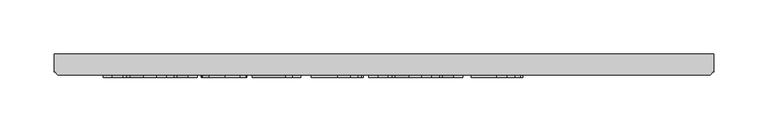
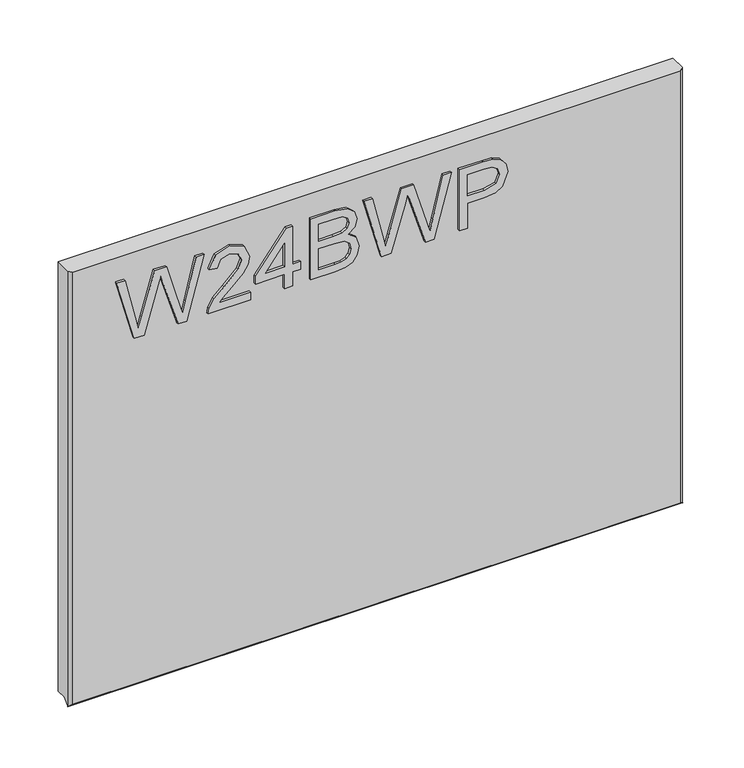
"""IFC4 building model written with IfcOpenShell, lengths in millimetres: furniture geometry."""

from ifc_helpers import new_model, si_unit, frame, origin, place, context, project, spatial, polyline, outline, extrude, faceted_brep, source, transform, mapped, element, save


def furniture_20260f77(model_context):
    return source(origin(), model_context, "Body", "SolidModel", [
        extrude(outline(polyline([(873.55172, -223.2197895), (873.55172, -213.5952607), (921.3628904, -199.6568251), (929.6325097, -197.2584797), (922.7645208, -195.1248868), (873.55172, -179.8315417), (873.55172, -171.3127436), (937.3414769, -153.9013793), (937.3414769, -162.1242776), (895.0433862, -172.3094586), (882.4754336, -175.3307508), (905.8670876, -182.1675924), (937.3414769, -191.3560583), (937.3414769, -203.2076221), (893.9220818, -215.853443), (882.4754336, -219.1862087), (895.4171543, -222.3009429), (937.3414769, -232.3926818), (937.3414769, -240.6155801), (873.55172, -223.2197895)])), frame((0.0, -21.9273437, 0.0), z_axis=(0.0, 1.0, 0.0), x_axis=(0.0, 0.0, 1.0)), (0.0, 0.0, 1.0), 2.38125),
        extrude(outline(polyline([(881.5254396, -108.0524915), (881.5254396, -139.3711441), (885.5823809, -135.7736261), (893.252414, -126.6007338), (904.1773443, -115.177446), (911.9953272, -110.4664105), (919.5563445, -109.0492064), (932.2333128, -114.3053204), (937.3414769, -128.57859), (932.747244, -142.8051386), (919.4006078, -148.9178045), (918.4038929, -140.9440849), (926.4554808, -137.5879588), (929.3677573, -128.7499004), (926.3853993, -120.2700365), (919.0735607, -117.022926), (910.0408315, -120.4647074), (896.75649, -134.2318326), (887.5135162, -144.2145558), (879.0492259, -149.0579676), (873.55172, -149.9145195), (873.55172, -108.0524915), (881.5254396, -108.0524915)])), frame((0.0, -21.9273438, 0.0), z_axis=(0.0, 1.0, 0.0), x_axis=(0.0, 0.0, 1.0)), (0.0, 0.0, 1.0), 2.38125),
        extrude(outline(polyline([(873.55172, -74.1641831), (873.55172, -66.1904635), (888.5024443, -66.1904635), (888.5024443, -58.2167439), (896.4761639, -58.2167439), (896.4761639, -66.1904635), (936.344762, -66.1904635), (936.344762, -72.1707532), (896.4761639, -103.0689167), (888.5024443, -103.0689167), (888.5024443, -74.1641831), (873.55172, -74.1641831)]), holes=[polyline([(896.4761639, -74.1641831), (896.4761639, -93.2575039), (921.1137116, -74.1641831), (896.4761639, -74.1641831)])]), frame((0.0, -21.9273438, 0.0), z_axis=(0.0, 1.0, 0.0), x_axis=(0.0, 0.0, 1.0)), (0.0, 0.0, 1.0), 2.38125),
        extrude(outline(polyline([(873.55172, -48.2495943), (873.55172, -24.0948304), (874.6496638, -13.8707153), (877.8889874, -6.9326448), (883.9938665, -2.283904), (892.5671724, -0.4072766), (902.487601, -3.1560296), (908.4367433, -11.0129467), (914.0821991, -4.5420863), (921.5342007, -2.4007065), (929.6948044, -4.9470018), (935.4648496, -11.9863011), (937.3414769, -23.9079464), (937.3414769, -48.2495943), (873.55172, -48.2495943)]), holes=[polyline([(911.4268882, -40.2758747), (929.3677573, -40.2758747), (929.3677573, -26.8202229), (928.5345659, -16.5727473), (925.4587659, -11.9785143), (920.2571597, -10.3744262), (915.0633404, -12.0953168), (912.1121297, -17.2112678), (911.4268882, -25.7144922), (911.4268882, -40.2758747)]), polyline([(881.5254396, -40.2758747), (903.4531686, -40.2758747), (903.4531686, -24.7022036), (902.3863721, -14.8518566), (898.6876252, -9.907216), (892.4893041, -8.3809963), (887.1163876, -9.6813978), (883.5733774, -12.9985897), (881.836913, -18.005525), (881.5254396, -23.92352), (881.5254396, -40.2758747)])]), frame((0.0, -21.9273437, 0.0), z_axis=(0.0, 1.0, 0.0), x_axis=(0.0, 0.0, 1.0)), (0.0, 0.0, 1.0), 2.38125),
        extrude(outline(polyline([(873.55172, 21.9720888), (873.55172, 31.5966175), (921.3628904, 45.5350532), (929.6325097, 47.9333986), (922.7645208, 50.0669915), (873.55172, 65.3603365), (873.55172, 73.8791347), (937.3414769, 91.290499), (937.3414769, 83.0676006), (895.0433862, 72.8824197), (882.4754336, 69.8611275), (905.8670876, 63.0242859), (937.3414769, 53.8358199), (937.3414769, 41.9842562), (893.9220818, 29.3384352), (882.4754336, 26.0056696), (895.4171543, 22.8909354), (937.3414769, 12.7991965), (937.3414769, 4.5762981), (873.55172, 21.9720888)])), frame((0.0, -21.9273437, 0.0), z_axis=(0.0, 1.0, 0.0), x_axis=(0.0, 0.0, 1.0)), (0.0, 0.0, 1.0), 2.38125),
        extrude(outline(polyline([(873.55172, 99.2642186), (873.55172, 107.2379382), (899.4663088, 107.2379382), (899.4663088, 123.4501299), (900.875726, 134.7780289), (905.1039777, 141.9750117), (918.8866767, 147.1065363), (927.584572, 145.2065484), (933.7517457, 140.1840395), (936.7341038, 132.4361381), (937.3414769, 122.9050514), (937.3414769, 99.2642186), (873.55172, 99.2642186)]), holes=[polyline([(907.4400284, 107.2379382), (929.3677573, 107.2379382), (929.3677573, 123.7304559), (928.8226788, 131.7041756), (925.2095871, 137.0848789), (918.6063506, 139.1328167), (910.3678785, 135.659888), (907.4400284, 123.91734), (907.4400284, 107.2379382)])]), frame((0.0, -21.9273438, 0.0), z_axis=(0.0, 1.0, 0.0), x_axis=(0.0, 0.0, 1.0)), (0.0, 0.0, 1.0), 2.38125),
        faceted_brep([(323.5377049, 0.0, 962.45172), (-286.0622951, 0.0, 962.45172), (-286.0622951, -15.9900938, 962.45172), (-282.8872951, -19.5460937, 962.45172), (320.3627049, -19.5460937, 962.45172), (323.5377049, -15.9900938, 962.45172), (-286.0622951, 0.0, 512.7625), (323.5377049, 0.0, 512.7625), (323.5377049, -10.0210937, 512.7625), (-286.0622951, -10.0210937, 512.7625), (-286.0622951, -15.9392937, 506.8443), (-286.0622951, -16.3710938, 506.4125), (-286.0622951, -16.8028938, 506.8443), (-282.8872951, -19.5460937, 509.5875), (320.3627049, -19.5460937, 509.5875), (323.5377049, -15.9900937, 506.8443), (323.5377049, -16.8028938, 506.8443), (323.5377049, -16.3710938, 506.4125), (322.8119906, -16.8028938, 506.8443), (-285.3365808, -16.8028938, 506.8443)], [[[0, 1, 2, 3, 4, 5]], [[6, 7, 8, 9]], [[1, 6, 9, 10, 2]], [[10, 11, 12]], [[3, 13, 14, 4]], [[7, 0, 5, 15, 8]], [[16, 17, 15]], [[1, 0, 7, 6]], [[11, 17, 16, 18, 14, 13, 19, 12]], [[17, 11, 10, 9, 8, 15]], [[19, 10, 12]], [[15, 18, 16]], [[10, 19, 13, 3, 2]], [[18, 15, 5, 4, 14]]]),
    ])


if __name__ == "__main__":
    model = new_model("IFC4")
    model_context = context("Model", 3, world=origin())
    ifc_project = project(units=[si_unit("LENGTHUNIT", "METRE", prefix="MILLI")], contexts=[model_context])
    site = spatial("IfcSite", under=ifc_project)
    building = spatial("IfcBuilding", under=site)
    placement = place(None, origin())
    furniture_shape = furniture_20260f77(model_context)
    element("IfcFurniture", 1, at=placement, inside=building, context=model_context, shape_type="MappedRepresentation", body=[
        mapped(furniture_shape, transform((0.0, 0.0, 0.0), x_axis=(1.0, 0.0, 0.0), y_axis=(0.0, 1.0, 0.0), z_axis=(0.0, 0.0, 1.0))),
    ])
    save(model, "model.ifc")
